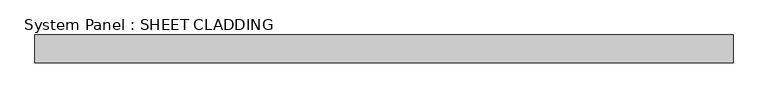
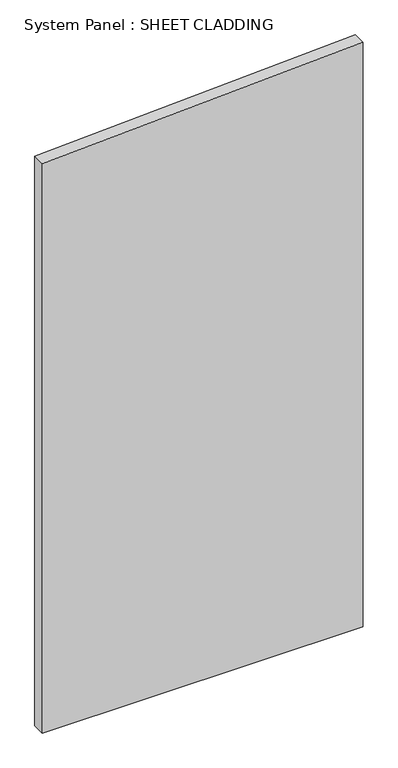
"""IFC4 building model written with IfcOpenShell, lengths in millimetres: plate geometry, System Panel : SHEET CLADDING."""

from ifc_helpers import new_model, si_unit, frame, origin, place, context, project, spatial, polyline, outline, extrude, source, transform, mapped, element, save


def system_panel_sheet_cladding_2bd3230f(model_context):
    return source(origin(), model_context, "Body", "SweptSolid", [
        extrude(outline(polyline([(0.0, -750.0), (0.0, 750.0), (2890.0, 750.0), (2815.0, -750.0), (0.0, -750.0)])), frame((0.0, -10.5, 0.0), z_axis=(0.0, 1.0, 0.0), x_axis=(0.0, 0.0, 1.0)), (0.0, 0.0, 1.0), 60.0),
    ])


if __name__ == "__main__":
    model = new_model("IFC4")
    model_context = context("Model", 3, world=origin())
    ifc_project = project(units=[si_unit("LENGTHUNIT", "METRE", prefix="MILLI")], contexts=[model_context])
    site = spatial("IfcSite", under=ifc_project)
    building = spatial("IfcBuilding", under=site)
    placement = place(None, origin())
    system_panel_sheet_cladding_shape = system_panel_sheet_cladding_2bd3230f(model_context)
    element("IfcPlate", 1, ObjectType="System Panel : SHEET CLADDING", at=placement, inside=building, context=model_context, shape_type="MappedRepresentation", body=[
        mapped(system_panel_sheet_cladding_shape, transform((0.0, 0.0, 0.0), x_axis=(1.0, 0.0, 0.0), y_axis=(0.0, 1.0, 0.0), z_axis=(0.0, 0.0, 1.0))),
    ])
    save(model, "model.ifc")
